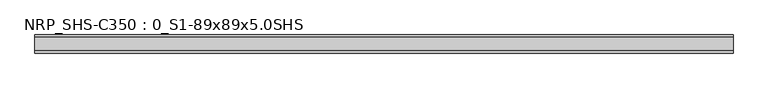
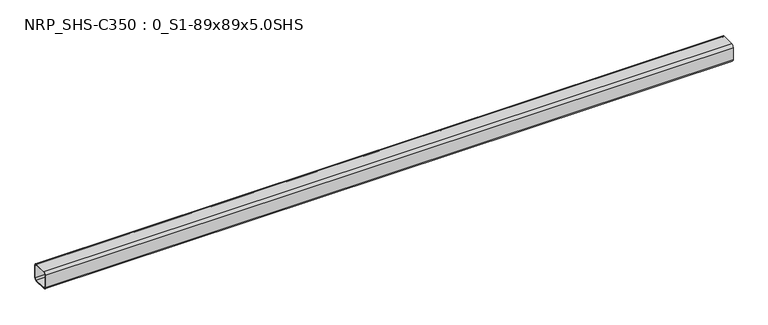
"""IFC4 building model written with IfcOpenShell, lengths in millimetres: beam geometry, NRP_SHS-C350 : 0_S1-89x89x5.0SHS."""

from ifc_helpers import new_model, si_unit, point, frame, frame_2d, origin, place, context, project, spatial, polyline, circle_curve, trimmed, segment, composite_curve, outline, extrude, source, transform, mapped, element, save


def nrp_shs_c350_0_s1_89x89x5_0shs_7d5d0aff(model_context):
    return source(origin(), model_context, "Body", "SweptSolid", [
        extrude(outline(composite_curve([segment(trimmed(circle_curve(frame_2d((-32.0, 32.0)), 12.5), [point((-44.5, 32.0))], [point((-32.0, 44.5))], False, "CARTESIAN"), True, "CONTINUOUS"), segment(polyline([(-32.0, 44.5), (32.0, 44.5)]), True, "CONTINUOUS"), segment(trimmed(circle_curve(frame_2d((32.0, 32.0)), 12.5), [point((32.0, 44.5))], [point((44.5, 32.0))], False, "CARTESIAN"), True, "CONTINUOUS"), segment(polyline([(44.5, 32.0), (44.5, -32.0)]), True, "CONTINUOUS"), segment(trimmed(circle_curve(frame_2d((32.0, -32.0)), 12.5), [point((44.5, -32.0))], [point((32.0, -44.5))], False, "CARTESIAN"), True, "CONTINUOUS"), segment(polyline([(32.0, -44.5), (-32.0, -44.5)]), True, "CONTINUOUS"), segment(trimmed(circle_curve(frame_2d((-32.0, -32.0)), 12.5), [point((-32.0, -44.5))], [point((-44.5, -32.0))], False, "CARTESIAN"), True, "CONTINUOUS"), segment(polyline([(-44.5, -32.0), (-44.5, 32.0)]), True, "CONTINUOUS")], self_intersect=False), holes=[composite_curve([segment(polyline([(32.0, 39.5), (-32.0, 39.5)]), True, "CONTINUOUS"), segment(trimmed(circle_curve(frame_2d((-32.0, 32.0)), 7.5), [point((-32.0, 39.5))], [point((-39.5, 32.0))], True, "CARTESIAN"), True, "CONTINUOUS"), segment(polyline([(-39.5, 32.0), (-39.5, -32.0)]), True, "CONTINUOUS"), segment(trimmed(circle_curve(frame_2d((-32.0, -32.0)), 7.5), [point((-39.5, -32.0))], [point((-32.0, -39.5))], True, "CARTESIAN"), True, "CONTINUOUS"), segment(polyline([(-32.0, -39.5), (32.0, -39.5)]), True, "CONTINUOUS"), segment(trimmed(circle_curve(frame_2d((32.0, -32.0)), 7.5), [point((32.0, -39.5))], [point((39.5, -32.0))], True, "CARTESIAN"), True, "CONTINUOUS"), segment(polyline([(39.5, -32.0), (39.5, 32.0)]), True, "CONTINUOUS"), segment(trimmed(circle_curve(frame_2d((32.0, 32.0)), 7.5), [point((39.5, 32.0))], [point((32.0, 39.5))], True, "CARTESIAN"), True, "CONTINUOUS")], self_intersect=False)]), frame((-1712.0, 0.0, 0.0), z_axis=(1.0, 0.0, 0.0), x_axis=(0.0, 1.0, 0.0)), (0.0, 0.0, 1.0), 3422.0),
    ])


if __name__ == "__main__":
    model = new_model("IFC4")
    model_context = context("Model", 3, world=origin())
    ifc_project = project(units=[si_unit("LENGTHUNIT", "METRE", prefix="MILLI")], contexts=[model_context])
    site = spatial("IfcSite", under=ifc_project)
    building = spatial("IfcBuilding", under=site)
    placement = place(None, origin())
    nrp_shs_c350_0_s1_89x89x5_0shs_shape = nrp_shs_c350_0_s1_89x89x5_0shs_7d5d0aff(model_context)
    element("IfcBeam", 1, ObjectType="NRP_SHS-C350 : 0_S1-89x89x5.0SHS", at=placement, inside=building, context=model_context, shape_type="MappedRepresentation", body=[
        mapped(nrp_shs_c350_0_s1_89x89x5_0shs_shape, transform((0.0, 0.0, 0.0), x_axis=(1.0, 0.0, 0.0), y_axis=(0.0, 1.0, 0.0), z_axis=(0.0, 0.0, 1.0))),
    ])
    save(model, "model.ifc")
